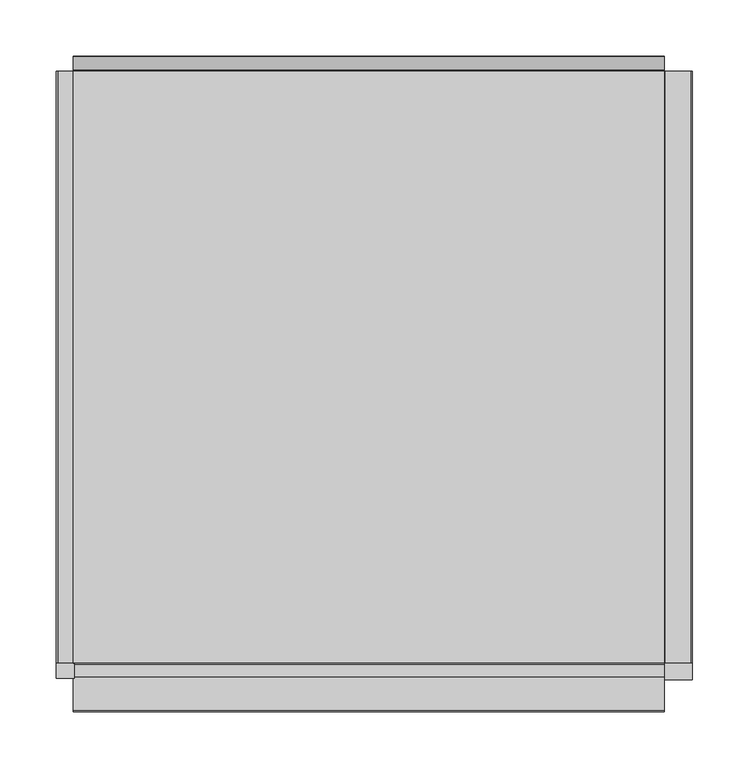
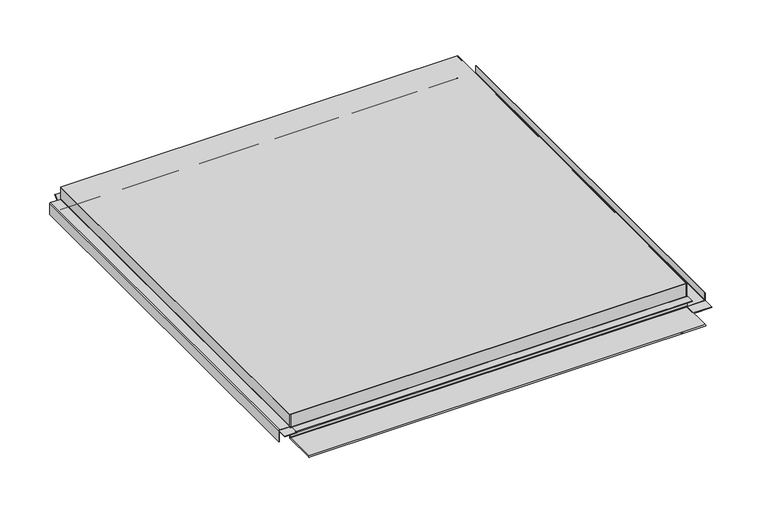
"""IFC4 building model written with IfcOpenShell, lengths in millimetres: proxy geometry."""

import ifcopenshell
import ifcopenshell.guid

model = None  # the IFC model being written
_history = None  # IfcOwnerHistory: only IFC2X3 demands one
_inside = {}  # id of a spatial element -> (the spatial element, [elements in it])
_under = {}  # id of a project, library or spatial element -> (it, [spatial elements below it])
_declared = {}  # id of a project -> (the project, [libraries it declares])
_typed = {}  # id of a type object -> (the type object, [elements of that type])
_made_of = {}  # id of a material, layer set ... -> (it, [elements and type objects made of it])


def new_model(schema):
    """Start an empty IFC model of exactly this schema.

    Asked for "IFC4X3", IfcOpenShell would pick the latest addendum, in which some entities
    have other attributes; the version numbers below select the first issue.
    IFC2X3 requires an IfcOwnerHistory on every rooted entity: one is made here for all.
    """
    global model, _history
    if schema == "IFC4X3":
        model = ifcopenshell.file(schema_version=(4, 3, 0, 0))
    else:
        model = ifcopenshell.file(schema=schema)
    _inside.clear()
    _under.clear()
    _declared.clear()
    _typed.clear()
    _made_of.clear()
    _history = None
    if model.schema == "IFC2X3":
        org = make("IfcOrganization", Name="unknown")
        user = make(
            "IfcPersonAndOrganization",
            ThePerson=make("IfcPerson", FamilyName="unknown"),
            TheOrganization=org,
        )
        app = make(
            "IfcApplication",
            ApplicationDeveloper=org,
            Version="unknown",
            ApplicationFullName="unknown",
            ApplicationIdentifier="unknown",
        )
        _history = make(
            "IfcOwnerHistory",
            OwningUser=user,
            OwningApplication=app,
            ChangeAction="ADDED",
            CreationDate=0,
        )
    return model


def make(cls, **values):
    """One entity of the class cls with the attributes given. An attribute that is None is left unset."""
    return model.create_entity(
        cls, **{name: value for name, value in values.items() if value is not None}
    )


def rooted(cls, **values):
    """An entity with a GlobalId (a new one), such as an element, a storey or a relation."""
    return make(cls, GlobalId=ifcopenshell.guid.new(), OwnerHistory=_history, **values)


def si_unit(unit_type, name, prefix=None):
    """IfcSIUnit, for example si_unit("LENGTHUNIT", "METRE", prefix="MILLI")."""
    return make("IfcSIUnit", UnitType=unit_type, Prefix=prefix, Name=name)


def assignment(units):
    """IfcUnitAssignment: the units of a project."""
    return None if units is None else make("IfcUnitAssignment", Units=units)


def point(xyz):
    """IfcCartesianPoint."""
    return None if xyz is None else make("IfcCartesianPoint", Coordinates=xyz)


def direction(xyz):
    """IfcDirection."""
    return None if xyz is None else make("IfcDirection", DirectionRatios=xyz)


def frame(location, z_axis=None, x_axis=None):
    """IfcAxis2Placement3D, a coordinate frame: its origin and axes. An axis left out is left unset."""
    return make(
        "IfcAxis2Placement3D",
        Location=point(location),
        Axis=direction(z_axis),
        RefDirection=direction(x_axis),
    )


def frame_2d(location, x_axis=None):
    """IfcAxis2Placement2D, a coordinate frame in the plane: its origin and x axis."""
    return make(
        "IfcAxis2Placement2D", Location=point(location), RefDirection=direction(x_axis)
    )


def origin():
    """The frame at (0, 0, 0) with its axes left unset."""
    return frame((0.0, 0.0, 0.0))


def place(relative_to, where):
    """IfcLocalPlacement: puts the frame where relative to a parent placement (None: the world)."""
    return make(
        "IfcLocalPlacement", PlacementRelTo=relative_to, RelativePlacement=where
    )


def context(
    kind, dimensions, precision=None, world=None, true_north=None, identifier=None
):
    """IfcGeometricRepresentationContext, for example the 3D "Model" context."""
    return make(
        "IfcGeometricRepresentationContext",
        ContextIdentifier=identifier,
        ContextType=kind,
        CoordinateSpaceDimension=dimensions,
        Precision=precision,
        WorldCoordinateSystem=world,
        TrueNorth=true_north,
    )


def project(units=None, contexts=None):
    """IfcProject with its units and contexts."""
    return rooted(
        "IfcProject",
        Name="project",
        RepresentationContexts=contexts,
        UnitsInContext=assignment(units),
    )


def spatial(cls, under=None, at=None, **own):
    """A site, building, storey or space (cls), placed at a placement, below another one or the project."""
    s = rooted(cls, ObjectPlacement=at, **own)
    if under is not None:
        _under.setdefault(under.id(), (under, []))[1].append(s)
    return s


def polyline(points):
    """IfcPolyline through the points."""
    return make("IfcPolyline", Points=[point(p) for p in points])


def circle_curve(where, radius):
    """IfcCircle in the frame where."""
    return make("IfcCircle", Position=where, Radius=radius)


def trimmed(basis, trim1, trim2, sense, master):
    """IfcTrimmedCurve: the piece of a basis curve between two trims."""
    return make(
        "IfcTrimmedCurve",
        BasisCurve=basis,
        Trim1=trim1,
        Trim2=trim2,
        SenseAgreement=sense,
        MasterRepresentation=master,
    )


def segment(curve, same_sense, transition):
    """IfcCompositeCurveSegment."""
    return make(
        "IfcCompositeCurveSegment",
        Transition=transition,
        SameSense=same_sense,
        ParentCurve=curve,
    )


def composite_curve(segments, self_intersect=None):
    """IfcCompositeCurve: segments joined end to end."""
    return make("IfcCompositeCurve", Segments=segments, SelfIntersect=self_intersect)


def outline(outer, holes=None, kind="AREA"):
    """IfcArbitraryClosedProfileDef: a profile drawn as a closed curve; with holes, ...WithVoids."""
    if holes is None:
        return make("IfcArbitraryClosedProfileDef", ProfileType=kind, OuterCurve=outer)
    return make(
        "IfcArbitraryProfileDefWithVoids",
        ProfileType=kind,
        OuterCurve=outer,
        InnerCurves=holes,
    )


def extrude(swept, where, along, depth):
    """IfcExtrudedAreaSolid: the profile swept, set in the frame where, extruded along a direction by depth."""
    return make(
        "IfcExtrudedAreaSolid",
        SweptArea=swept,
        Position=where,
        ExtrudedDirection=direction(along),
        Depth=depth,
    )


def faces_of(points, faces, orient=None, outer=None):
    """IfcFace entities. A face is a list of loops; a loop is a list of indices into points, from 0.

    orient and outer hold one flag for each loop. By default every Orientation is true, the
    first loop of a face is its IfcFaceOuterBound and the others are IfcFaceBound.
    """
    made = []
    for i, loops in enumerate(faces):
        bounds = []
        for j, loop in enumerate(loops):
            is_outer = j == 0 if outer is None else outer[i][j]
            bounds.append(
                make(
                    "IfcFaceOuterBound" if is_outer else "IfcFaceBound",
                    Bound=make("IfcPolyLoop", Polygon=[points[k] for k in loop]),
                    Orientation=True if orient is None else orient[i][j],
                )
            )
        made.append(make("IfcFace", Bounds=bounds))
    return made


def faceted_brep(points, faces, orient=None, outer=None, voids=None):
    """IfcFacetedBrep: a solid bounded by flat faces; with voids (closed shells), ...WithVoids."""
    shared = [point(p) for p in points]
    hull = make("IfcClosedShell", CfsFaces=faces_of(shared, faces, orient, outer))
    if voids is None:
        return make("IfcFacetedBrep", Outer=hull)
    return make(
        "IfcFacetedBrepWithVoids",
        Outer=hull,
        Voids=[
            make(cls, CfsFaces=faces_of(shared, fs, o, b)) for cls, fs, o, b in voids
        ],
    )


def shape(context_of_items, identifier, shape_type, items):
    """IfcShapeRepresentation: the items that make up one representation, for example the "Body"."""
    return make(
        "IfcShapeRepresentation",
        ContextOfItems=context_of_items,
        RepresentationIdentifier=identifier,
        RepresentationType=shape_type,
        Items=items,
    )


def source(mapping_origin, context_of_items, identifier, shape_type, items):
    """IfcRepresentationMap: a shape defined once, which mapped items show again and again."""
    return make(
        "IfcRepresentationMap",
        MappingOrigin=mapping_origin,
        MappedRepresentation=shape(context_of_items, identifier, shape_type, items),
    )


def transform(
    local_origin,
    x_axis=None,
    y_axis=None,
    z_axis=None,
    scale=None,
    scale2=None,
    scale3=None,
    uniform=True,
):
    """IfcCartesianTransformationOperator3D, or its non-uniform kind. x_axis, y_axis, z_axis: its Axis1, 2, 3."""
    if uniform:
        return make(
            "IfcCartesianTransformationOperator3D",
            Axis1=direction(x_axis),
            Axis2=direction(y_axis),
            LocalOrigin=point(local_origin),
            Scale=scale,
            Axis3=direction(z_axis),
        )
    return make(
        "IfcCartesianTransformationOperator3DnonUniform",
        Axis1=direction(x_axis),
        Axis2=direction(y_axis),
        LocalOrigin=point(local_origin),
        Scale=scale,
        Axis3=direction(z_axis),
        Scale2=scale2,
        Scale3=scale3,
    )


def mapped(mapping_source, mapping_target):
    """IfcMappedItem: shows the shape of a source again, moved by a transform."""
    return make(
        "IfcMappedItem", MappingSource=mapping_source, MappingTarget=mapping_target
    )


def made_of(thing, what):
    """Note that an element or type object is made of a material, layer set ...; save() writes the relation."""
    if what is not None:
        _made_of.setdefault(what.id(), (what, []))[1].append(thing)
    return thing


def element(
    cls,
    number,
    at=None,
    inside=None,
    cuts=None,
    type_object=None,
    material=None,
    context=None,
    identifier="Body",
    shape_type=None,
    held_by="IfcProductDefinitionShape",
    body=None,
    shapes=None,
    **own,
):
    """One element of the class cls, such as IfcWall. Its Tag is "e" and its number.

    at: its placement. inside: the storey or other place that contains it. cuts: it is an
    opening in that element (IfcRelVoidsElement). A single representation is given by context,
    identifier, shape_type and body (its items); several are given by shapes. held_by: the class
    of the entity that holds the representations. save() writes the other relations.
    """
    e = rooted(cls, Tag="e%d" % number, ObjectPlacement=at, **own)
    if body is not None:
        shapes = [shape(context, identifier, shape_type, body)]
    if shapes is not None:
        e.Representation = make(held_by, Representations=shapes)
    if inside is not None:
        _inside.setdefault(inside.id(), (inside, []))[1].append(e)
    if cuts is not None:
        rooted(
            "IfcRelVoidsElement", RelatingBuildingElement=cuts, RelatedOpeningElement=e
        )
    if type_object is not None:
        _typed.setdefault(type_object.id(), (type_object, []))[1].append(e)
    return made_of(e, material)


def aggregate(whole, parts):
    """IfcRelAggregates: a whole, such as a stair, and the parts it consists of."""
    return rooted("IfcRelAggregates", RelatingObject=whole, RelatedObjects=parts)


def save(model, path):
    """Write the relations noted so far, then the file.

    IfcRelAggregates (storeys below a building ...), IfcRelContainedInSpatialStructure (elements
    in a storey), IfcRelDefinesByType, IfcRelAssociatesMaterial and IfcRelDeclares: one each for
    every whole, place, type object, material and project.
    """
    for whole, parts in _under.values():
        aggregate(whole, parts)
    for where, things in _inside.values():
        rooted(
            "IfcRelContainedInSpatialStructure",
            RelatedElements=things,
            RelatingStructure=where,
        )
    for kind, things in _typed.values():
        rooted("IfcRelDefinesByType", RelatedObjects=things, RelatingType=kind)
    for what, things in _made_of.values():
        rooted("IfcRelAssociatesMaterial", RelatedObjects=things, RelatingMaterial=what)
    for by, libraries in _declared.values():
        rooted("IfcRelDeclares", RelatingContext=by, RelatedDefinitions=libraries)
    model.write(path)


def generic_models_a947db63(model_context):
    return source(origin(), model_context, "Body", "SolidModel", [
        extrude(outline(composite_curve([segment(trimmed(circle_curve(frame_2d((17.2, -263.0)), 1.3), [point((15.9, -263.0))], [point((17.2, -261.7))], False, "CARTESIAN"), True, "CONTINUOUS"), segment(polyline([(17.2, -261.7), (33.33125, -261.7), (33.33125, -262.5), (17.2, -262.5)]), True, "CONTINUOUS"), segment(trimmed(circle_curve(frame_2d((17.2, -263.0)), 0.5), [point((17.2, -262.5))], [point((16.7, -263.0))], True, "CARTESIAN"), True, "CONTINUOUS"), segment(polyline([(16.7, -263.0), (16.7, -276.2)]), True, "CONTINUOUS"), segment(trimmed(circle_curve(frame_2d((15.4, -276.2)), 1.3), [point((16.7, -276.2))], [point((15.4, -277.5))], False, "CARTESIAN"), True, "CONTINUOUS"), segment(polyline([(15.4, -277.5), (0.33125, -277.5), (0.33125, -276.7), (15.4, -276.7)]), True, "CONTINUOUS"), segment(trimmed(circle_curve(frame_2d((15.4, -276.2)), 0.5), [point((15.4, -276.7))], [point((15.9, -276.2))], True, "CARTESIAN"), True, "CONTINUOUS"), segment(polyline([(15.9, -276.2), (15.9, -263.0)]), True, "CONTINUOUS")], self_intersect=False)), frame((0.0, -262.5, 0.0), z_axis=(0.0, 1.0, 0.0), x_axis=(0.0, 0.0, 1.0)), (0.0, 0.0, 1.0), 525.0),
        extrude(outline(polyline([(-277.5, -276.5), (-277.5, -262.5), (-261.7, -262.5), (-261.7, -276.5), (-277.5, -276.5)])), frame((0.0, 0.0, 15.9), z_axis=(0.0, 0.0, 1.0), x_axis=(1.0, 0.0, 0.0)), (0.0, 0.0, 1.0), 0.8),
        extrude(outline(composite_curve([segment(trimmed(circle_curve(frame_2d((1.63125, 285.9)), 1.3), [point((0.33125, 285.9))], [point((1.63125, 287.2))], False, "CARTESIAN"), True, "CONTINUOUS"), segment(polyline([(1.63125, 287.2), (11.33125, 287.2), (11.33125, 286.4), (1.63125, 286.4)]), True, "CONTINUOUS"), segment(trimmed(circle_curve(frame_2d((1.63125, 285.9)), 0.5), [point((1.63125, 286.4))], [point((1.13125, 285.9))], True, "CARTESIAN"), True, "CONTINUOUS"), segment(polyline([(1.13125, 285.9), (1.13125, 263.0)]), True, "CONTINUOUS"), segment(trimmed(circle_curve(frame_2d((1.63125, 263.0)), 0.5), [point((1.13125, 263.0))], [point((1.63125, 262.5))], True, "CARTESIAN"), True, "CONTINUOUS"), segment(polyline([(1.63125, 262.5), (33.33125, 262.5), (33.33125, 261.7), (1.63125, 261.7)]), True, "CONTINUOUS"), segment(trimmed(circle_curve(frame_2d((1.63125, 263.0)), 1.3), [point((1.63125, 261.7))], [point((0.33125, 263.0))], False, "CARTESIAN"), True, "CONTINUOUS"), segment(polyline([(0.33125, 263.0), (0.33125, 285.9)]), True, "CONTINUOUS")], self_intersect=False)), frame((0.0, -262.5, 0.0), z_axis=(0.0, 1.0, 0.0), x_axis=(0.0, 0.0, 1.0)), (0.0, 0.0, 1.0), 525.0),
        extrude(outline(polyline([(287.2, -277.5), (261.7, -277.5), (261.7, -262.5), (287.2, -262.5), (287.2, -277.5)])), frame((0.0, 0.0, 0.33125), z_axis=(0.0, 0.0, 1.0), x_axis=(1.0, 0.0, 0.0)), (0.0, 0.0, 1.0), 0.8),
        extrude(outline(composite_curve([segment(polyline([(-263.0, 0.0), (-305.15, 0.0)]), True, "CONTINUOUS"), segment(trimmed(circle_curve(frame_2d((-305.15, 0.85)), 0.85), [point((-305.15, 0.0))], [point((-305.15, 1.7))], False, "CARTESIAN"), True, "CONTINUOUS"), segment(polyline([(-305.15, 1.7), (-264.05, 1.7)]), True, "CONTINUOUS"), segment(trimmed(circle_curve(frame_2d((-264.05, 2.2)), 0.5), [point((-264.05, 1.7))], [point((-263.55, 2.2))], True, "CARTESIAN"), True, "CONTINUOUS"), segment(polyline([(-263.55, 2.2), (-263.55, 15.4)]), True, "CONTINUOUS"), segment(trimmed(circle_curve(frame_2d((-264.05, 15.4)), 0.5), [point((-263.55, 15.4))], [point((-264.05, 15.9))], True, "CARTESIAN"), True, "CONTINUOUS"), segment(polyline([(-264.05, 15.9), (-275.15, 15.9), (-275.15, 16.7), (-264.05, 16.7)]), True, "CONTINUOUS"), segment(trimmed(circle_curve(frame_2d((-264.05, 15.4)), 1.3), [point((-264.05, 16.7))], [point((-262.75, 15.4))], False, "CARTESIAN"), True, "CONTINUOUS"), segment(polyline([(-262.75, 15.4), (-262.75, 2.4014965)]), True, "CONTINUOUS"), segment(trimmed(circle_curve(frame_2d((-264.05, 2.4014965)), 1.3), [point((-262.75, 2.4014965))], [point((-264.05, 1.1014965))], False, "CARTESIAN"), True, "CONTINUOUS"), segment(polyline([(-264.05, 1.1014965), (-304.3115501, 1.1014965)]), True, "CONTINUOUS"), segment(trimmed(circle_curve(frame_2d((-304.3115501, 0.699934)), 0.4015625), [point((-304.3115501, 1.1014965))], [point((-304.3115501, 0.2983715))], True, "CARTESIAN"), True, "CONTINUOUS"), segment(polyline([(-304.3115501, 0.2983715), (-263.0, 0.2983715)]), True, "CONTINUOUS"), segment(trimmed(circle_curve(frame_2d((-263.0, 0.7983715)), 0.5), [point((-263.0, 0.2983715))], [point((-262.5, 0.7983715))], True, "CARTESIAN"), True, "CONTINUOUS"), segment(polyline([(-262.5, 0.7983715), (-262.5, 33.0), (-261.7, 33.0), (-261.7, 1.3)]), True, "CONTINUOUS"), segment(trimmed(circle_curve(frame_2d((-263.0, 1.3)), 1.3), [point((-261.7, 1.3))], [point((-263.0, 0.0))], False, "CARTESIAN"), True, "CONTINUOUS")], self_intersect=False)), frame((-262.5, 0.0, 0.0), z_axis=(1.0, 0.0, 0.0), x_axis=(0.0, 1.0, 0.0)), (0.0, 0.0, 1.0), 525.0),
        extrude(outline(composite_curve([segment(trimmed(circle_curve(frame_2d((263.0, 3.3)), 0.5), [point((262.5, 3.3))], [point((263.4778194, 3.4472706))], True, "CARTESIAN"), True, "CONTINUOUS"), segment(polyline([(263.4778194, 3.4472706), (275.3707904, 15.3402417), (275.9627491, 14.748283), (264.2783838, 3.0639176)]), True, "CONTINUOUS"), segment(trimmed(circle_curve(frame_2d((263.0, 3.3)), 1.3), [point((264.2783838, 3.0639176))], [point((261.7, 3.3))], False, "CARTESIAN"), True, "CONTINUOUS"), segment(polyline([(261.7, 3.3), (261.7, 33.0), (262.5, 33.0), (262.5, 3.3)]), True, "CONTINUOUS")], self_intersect=False)), frame((-262.5, 0.0, 0.0), z_axis=(1.0, 0.0, 0.0), x_axis=(0.0, 1.0, 0.0)), (0.0, 0.0, 1.0), 525.0),
        faceted_brep([(-262.5, -262.5, 34.0), (262.5, -262.5, 34.0), (262.5, 262.5, 34.0), (-262.5, 262.5, 34.0), (-262.5, -262.5, 33.0), (-262.5, -261.7, 33.0), (-262.5, 262.5, 33.0), (262.5, 262.5, 33.0), (262.5, -261.7, 33.0), (262.5, -262.5, 33.0)], [[[0, 1, 2, 3]], [[4, 5, 6, 7, 8, 9]], [[3, 6, 5, 4, 0]], [[2, 7, 6, 3]], [[1, 9, 8, 7, 2]], [[0, 4, 9, 1]]]),
    ])


if __name__ == "__main__":
    model = new_model("IFC4")
    model_context = context("Model", 3, world=origin())
    ifc_project = project(units=[si_unit("LENGTHUNIT", "METRE", prefix="MILLI")], contexts=[model_context])
    site = spatial("IfcSite", under=ifc_project)
    building = spatial("IfcBuilding", under=site)
    placement = place(None, origin())
    generic_models_shape = generic_models_a947db63(model_context)
    element("IfcBuildingElementProxy", 1, Name="Generic Models", at=placement, inside=building, context=model_context, shape_type="MappedRepresentation", body=[
        mapped(generic_models_shape, transform((0.0, 0.0, 0.0), x_axis=(1.0, 0.0, 0.0), y_axis=(0.0, 1.0, 0.0), z_axis=(0.0, 0.0, 1.0))),
    ])
    save(model, "model.ifc")
